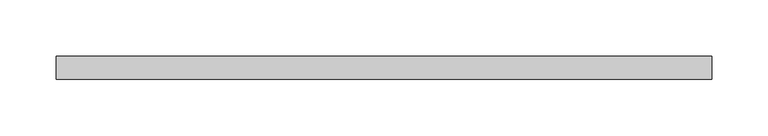
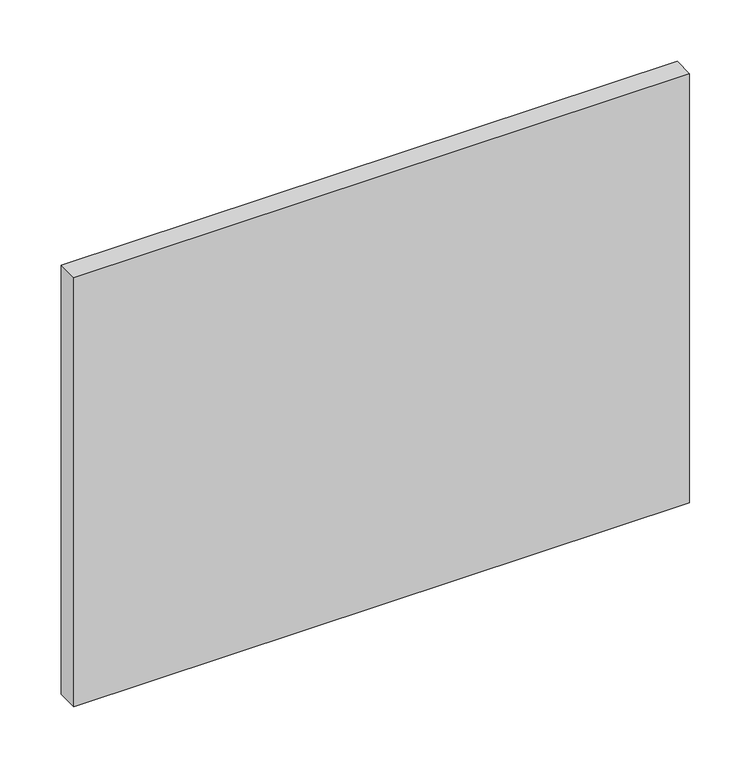
"""IFC4 building model written with IfcOpenShell, lengths in millimetres: plate geometry."""

from ifc_helpers import new_model, si_unit, origin, origin_with_axes, place, context, project, spatial, polyline, outline, extrude, source, transform, mapped, element, save


def plate_1df6d7a0(model_context):
    return source(origin(), model_context, "Body", "SweptSolid", [
        extrude(outline(polyline([(290.0, 70.0), (-290.0, 70.0), (-290.0, 90.0), (290.0, 90.0), (290.0, 70.0)])), origin_with_axes(), (0.0, 0.0, 1.0), 426.9310345),
    ])


if __name__ == "__main__":
    model = new_model("IFC4")
    model_context = context("Model", 3, world=origin())
    ifc_project = project(units=[si_unit("LENGTHUNIT", "METRE", prefix="MILLI")], contexts=[model_context])
    site = spatial("IfcSite", under=ifc_project)
    building = spatial("IfcBuilding", under=site)
    placement = place(None, origin())
    plate_shape = plate_1df6d7a0(model_context)
    element("IfcPlate", 1, at=placement, inside=building, context=model_context, shape_type="MappedRepresentation", body=[
        mapped(plate_shape, transform((0.0, 0.0, 0.0), x_axis=(1.0, 0.0, 0.0), y_axis=(0.0, 1.0, 0.0), z_axis=(0.0, 0.0, 1.0))),
    ])
    save(model, "model.ifc")
